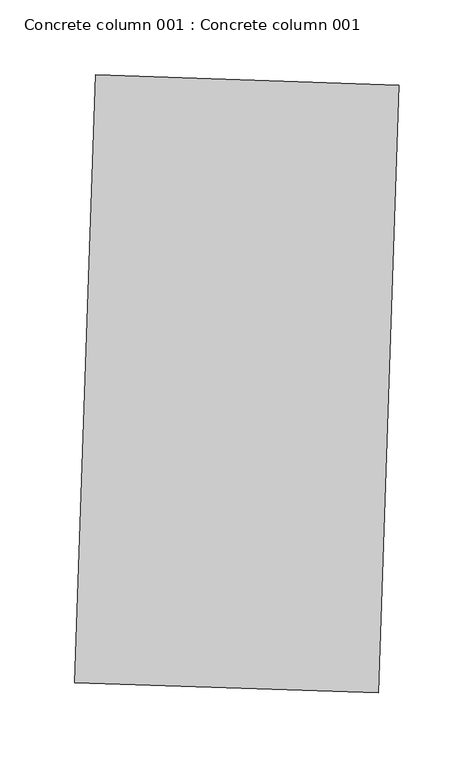
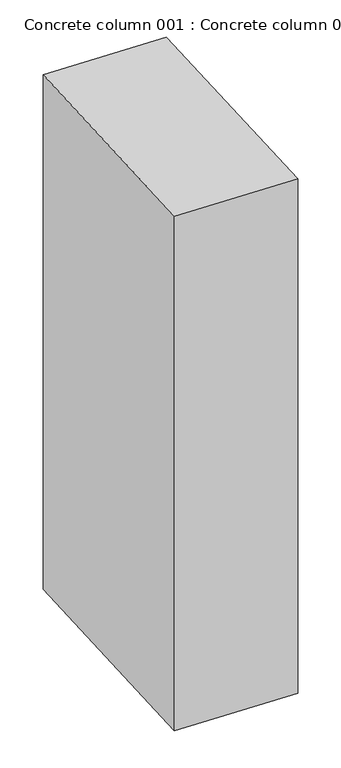
"""IFC4 building model written with IfcOpenShell, lengths in millimetres: proxy geometry, Concrete column 001 : Concrete column 001."""

import ifcopenshell
import ifcopenshell.guid

model = None  # the IFC model being written
_history = None  # IfcOwnerHistory: only IFC2X3 demands one
_inside = {}  # id of a spatial element -> (the spatial element, [elements in it])
_under = {}  # id of a project, library or spatial element -> (it, [spatial elements below it])
_declared = {}  # id of a project -> (the project, [libraries it declares])
_typed = {}  # id of a type object -> (the type object, [elements of that type])
_made_of = {}  # id of a material, layer set ... -> (it, [elements and type objects made of it])


def new_model(schema):
    """Start an empty IFC model of exactly this schema.

    Asked for "IFC4X3", IfcOpenShell would pick the latest addendum, in which some entities
    have other attributes; the version numbers below select the first issue.
    IFC2X3 requires an IfcOwnerHistory on every rooted entity: one is made here for all.
    """
    global model, _history
    if schema == "IFC4X3":
        model = ifcopenshell.file(schema_version=(4, 3, 0, 0))
    else:
        model = ifcopenshell.file(schema=schema)
    _inside.clear()
    _under.clear()
    _declared.clear()
    _typed.clear()
    _made_of.clear()
    _history = None
    if model.schema == "IFC2X3":
        org = make("IfcOrganization", Name="unknown")
        user = make(
            "IfcPersonAndOrganization",
            ThePerson=make("IfcPerson", FamilyName="unknown"),
            TheOrganization=org,
        )
        app = make(
            "IfcApplication",
            ApplicationDeveloper=org,
            Version="unknown",
            ApplicationFullName="unknown",
            ApplicationIdentifier="unknown",
        )
        _history = make(
            "IfcOwnerHistory",
            OwningUser=user,
            OwningApplication=app,
            ChangeAction="ADDED",
            CreationDate=0,
        )
    return model


def make(cls, **values):
    """One entity of the class cls with the attributes given. An attribute that is None is left unset."""
    return model.create_entity(
        cls, **{name: value for name, value in values.items() if value is not None}
    )


def rooted(cls, **values):
    """An entity with a GlobalId (a new one), such as an element, a storey or a relation."""
    return make(cls, GlobalId=ifcopenshell.guid.new(), OwnerHistory=_history, **values)


def si_unit(unit_type, name, prefix=None):
    """IfcSIUnit, for example si_unit("LENGTHUNIT", "METRE", prefix="MILLI")."""
    return make("IfcSIUnit", UnitType=unit_type, Prefix=prefix, Name=name)


def assignment(units):
    """IfcUnitAssignment: the units of a project."""
    return None if units is None else make("IfcUnitAssignment", Units=units)


def point(xyz):
    """IfcCartesianPoint."""
    return None if xyz is None else make("IfcCartesianPoint", Coordinates=xyz)


def direction(xyz):
    """IfcDirection."""
    return None if xyz is None else make("IfcDirection", DirectionRatios=xyz)


def frame(location, z_axis=None, x_axis=None):
    """IfcAxis2Placement3D, a coordinate frame: its origin and axes. An axis left out is left unset."""
    return make(
        "IfcAxis2Placement3D",
        Location=point(location),
        Axis=direction(z_axis),
        RefDirection=direction(x_axis),
    )


def origin():
    """The frame at (0, 0, 0) with its axes left unset."""
    return frame((0.0, 0.0, 0.0))


def place(relative_to, where):
    """IfcLocalPlacement: puts the frame where relative to a parent placement (None: the world)."""
    return make(
        "IfcLocalPlacement", PlacementRelTo=relative_to, RelativePlacement=where
    )


def context(
    kind, dimensions, precision=None, world=None, true_north=None, identifier=None
):
    """IfcGeometricRepresentationContext, for example the 3D "Model" context."""
    return make(
        "IfcGeometricRepresentationContext",
        ContextIdentifier=identifier,
        ContextType=kind,
        CoordinateSpaceDimension=dimensions,
        Precision=precision,
        WorldCoordinateSystem=world,
        TrueNorth=true_north,
    )


def project(units=None, contexts=None):
    """IfcProject with its units and contexts."""
    return rooted(
        "IfcProject",
        Name="project",
        RepresentationContexts=contexts,
        UnitsInContext=assignment(units),
    )


def spatial(cls, under=None, at=None, **own):
    """A site, building, storey or space (cls), placed at a placement, below another one or the project."""
    s = rooted(cls, ObjectPlacement=at, **own)
    if under is not None:
        _under.setdefault(under.id(), (under, []))[1].append(s)
    return s


def polyline(points):
    """IfcPolyline through the points."""
    return make("IfcPolyline", Points=[point(p) for p in points])


def outline(outer, holes=None, kind="AREA"):
    """IfcArbitraryClosedProfileDef: a profile drawn as a closed curve; with holes, ...WithVoids."""
    if holes is None:
        return make("IfcArbitraryClosedProfileDef", ProfileType=kind, OuterCurve=outer)
    return make(
        "IfcArbitraryProfileDefWithVoids",
        ProfileType=kind,
        OuterCurve=outer,
        InnerCurves=holes,
    )


def extrude(swept, where, along, depth):
    """IfcExtrudedAreaSolid: the profile swept, set in the frame where, extruded along a direction by depth."""
    return make(
        "IfcExtrudedAreaSolid",
        SweptArea=swept,
        Position=where,
        ExtrudedDirection=direction(along),
        Depth=depth,
    )


def shape(context_of_items, identifier, shape_type, items):
    """IfcShapeRepresentation: the items that make up one representation, for example the "Body"."""
    return make(
        "IfcShapeRepresentation",
        ContextOfItems=context_of_items,
        RepresentationIdentifier=identifier,
        RepresentationType=shape_type,
        Items=items,
    )


def source(mapping_origin, context_of_items, identifier, shape_type, items):
    """IfcRepresentationMap: a shape defined once, which mapped items show again and again."""
    return make(
        "IfcRepresentationMap",
        MappingOrigin=mapping_origin,
        MappedRepresentation=shape(context_of_items, identifier, shape_type, items),
    )


def transform(
    local_origin,
    x_axis=None,
    y_axis=None,
    z_axis=None,
    scale=None,
    scale2=None,
    scale3=None,
    uniform=True,
):
    """IfcCartesianTransformationOperator3D, or its non-uniform kind. x_axis, y_axis, z_axis: its Axis1, 2, 3."""
    if uniform:
        return make(
            "IfcCartesianTransformationOperator3D",
            Axis1=direction(x_axis),
            Axis2=direction(y_axis),
            LocalOrigin=point(local_origin),
            Scale=scale,
            Axis3=direction(z_axis),
        )
    return make(
        "IfcCartesianTransformationOperator3DnonUniform",
        Axis1=direction(x_axis),
        Axis2=direction(y_axis),
        LocalOrigin=point(local_origin),
        Scale=scale,
        Axis3=direction(z_axis),
        Scale2=scale2,
        Scale3=scale3,
    )


def mapped(mapping_source, mapping_target):
    """IfcMappedItem: shows the shape of a source again, moved by a transform."""
    return make(
        "IfcMappedItem", MappingSource=mapping_source, MappingTarget=mapping_target
    )


def made_of(thing, what):
    """Note that an element or type object is made of a material, layer set ...; save() writes the relation."""
    if what is not None:
        _made_of.setdefault(what.id(), (what, []))[1].append(thing)
    return thing


def element(
    cls,
    number,
    at=None,
    inside=None,
    cuts=None,
    type_object=None,
    material=None,
    context=None,
    identifier="Body",
    shape_type=None,
    held_by="IfcProductDefinitionShape",
    body=None,
    shapes=None,
    **own,
):
    """One element of the class cls, such as IfcWall. Its Tag is "e" and its number.

    at: its placement. inside: the storey or other place that contains it. cuts: it is an
    opening in that element (IfcRelVoidsElement). A single representation is given by context,
    identifier, shape_type and body (its items); several are given by shapes. held_by: the class
    of the entity that holds the representations. save() writes the other relations.
    """
    e = rooted(cls, Tag="e%d" % number, ObjectPlacement=at, **own)
    if body is not None:
        shapes = [shape(context, identifier, shape_type, body)]
    if shapes is not None:
        e.Representation = make(held_by, Representations=shapes)
    if inside is not None:
        _inside.setdefault(inside.id(), (inside, []))[1].append(e)
    if cuts is not None:
        rooted(
            "IfcRelVoidsElement", RelatingBuildingElement=cuts, RelatedOpeningElement=e
        )
    if type_object is not None:
        _typed.setdefault(type_object.id(), (type_object, []))[1].append(e)
    return made_of(e, material)


def aggregate(whole, parts):
    """IfcRelAggregates: a whole, such as a stair, and the parts it consists of."""
    return rooted("IfcRelAggregates", RelatingObject=whole, RelatedObjects=parts)


def save(model, path):
    """Write the relations noted so far, then the file.

    IfcRelAggregates (storeys below a building ...), IfcRelContainedInSpatialStructure (elements
    in a storey), IfcRelDefinesByType, IfcRelAssociatesMaterial and IfcRelDeclares: one each for
    every whole, place, type object, material and project.
    """
    for whole, parts in _under.values():
        aggregate(whole, parts)
    for where, things in _inside.values():
        rooted(
            "IfcRelContainedInSpatialStructure",
            RelatedElements=things,
            RelatingStructure=where,
        )
    for kind, things in _typed.values():
        rooted("IfcRelDefinesByType", RelatedObjects=things, RelatingType=kind)
    for what, things in _made_of.values():
        rooted("IfcRelAssociatesMaterial", RelatedObjects=things, RelatingMaterial=what)
    for by, libraries in _declared.values():
        rooted("IfcRelDeclares", RelatingContext=by, RelatedDefinitions=libraries)
    model.write(path)


def concrete_column_001_concrete_column_001_6c0cb908(model_context):
    return source(origin(), model_context, "Body", "SweptSolid", [
        extrude(outline(polyline([(32365.2279016, -15594.8575577), (32379.1305543, -15188.6062392), (32582.2116716, -15195.5560413), (32568.3120675, -15601.7182761), (32365.2279016, -15594.8575577)])), frame((0.0, 0.0, 1597.975708), z_axis=(0.0, 0.0, 1.0), x_axis=(1.0, 0.0, 0.0)), (0.0, 0.0, 1.0), 914.4),
    ])


if __name__ == "__main__":
    model = new_model("IFC4")
    model_context = context("Model", 3, world=origin())
    ifc_project = project(units=[si_unit("LENGTHUNIT", "METRE", prefix="MILLI")], contexts=[model_context])
    site = spatial("IfcSite", under=ifc_project)
    building = spatial("IfcBuilding", under=site)
    placement = place(None, origin())
    concrete_column_001_concrete_column_001_shape = concrete_column_001_concrete_column_001_6c0cb908(model_context)
    element("IfcBuildingElementProxy", 1, Name="Concrete column 001 : Concrete column 001", ObjectType="Concrete column 001 : Concrete column 001", at=placement, inside=building, context=model_context, shape_type="MappedRepresentation", body=[
        mapped(concrete_column_001_concrete_column_001_shape, transform((0.0, 0.0, 0.0), x_axis=(1.0, 0.0, 0.0), y_axis=(0.0, 1.0, 0.0), z_axis=(0.0, 0.0, 1.0))),
    ])
    save(model, "model.ifc")
